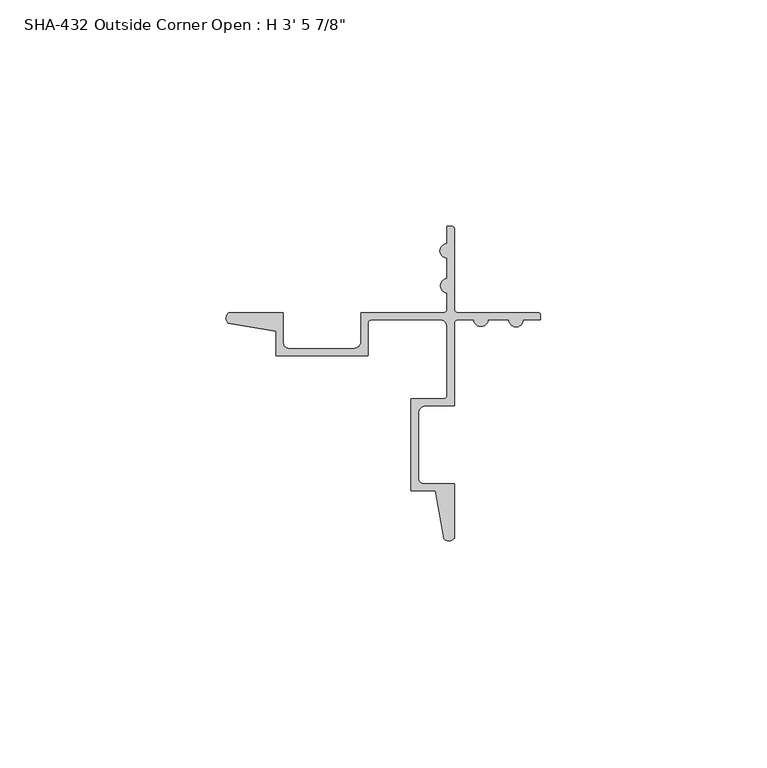
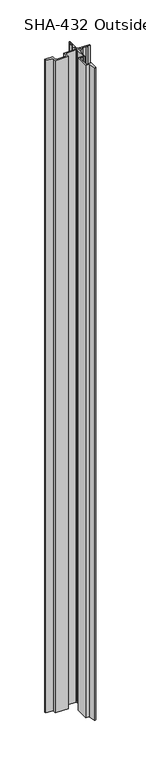
"""IFC4 building model written with IfcOpenShell, lengths in millimetres: proxy geometry."""

from ifc_helpers import new_model, si_unit, point, frame_2d, origin, origin_with_axes, place, context, project, spatial, polyline, circle_curve, trimmed, segment, composite_curve, outline, extrude, source, transform, mapped, element, save


def proxy_8e11a635(model_context):
    return source(origin(), model_context, "Body", "SweptSolid", [
        extrude(outline(composite_curve([segment(trimmed(circle_curve(frame_2d((-28.662637, 17.8573235)), 1.6162393), [point((-29.8194785, 16.7286308))], [point((-29.7533947, 19.05))], False, "CARTESIAN"), True, "CONTINUOUS"), segment(polyline([(-29.7533947, 19.05), (-17.6685916, 19.05), (-17.6685916, 12.3698)]), True, "CONTINUOUS"), segment(trimmed(circle_curve(frame_2d((-16.3985916, 12.3698)), 1.27), [point((-17.6685916, 12.3698))], [point((-16.3985916, 11.0998))], True, "CARTESIAN"), True, "CONTINUOUS"), segment(polyline([(-16.3985916, 11.0998), (-2.0896705, 11.0998)]), True, "CONTINUOUS"), segment(trimmed(circle_curve(frame_2d((-2.0896705, 12.6873)), 1.5875), [point((-2.0896705, 11.0998))], [point((-0.5021705, 12.6873))], True, "CARTESIAN"), True, "CONTINUOUS"), segment(polyline([(-0.5021705, 12.6873), (-0.5021705, 19.05), (17.7528095, 19.05)]), True, "CONTINUOUS"), segment(trimmed(circle_curve(frame_2d((17.7528095, 19.84502)), 0.79502), [point((17.7528095, 19.05))], [point((18.5478295, 19.84502))], True, "CARTESIAN"), True, "CONTINUOUS"), segment(polyline([(18.5478295, 19.84502), (18.5478295, 23.3934)]), True, "CONTINUOUS"), segment(trimmed(circle_curve(frame_2d((18.6388149, 24.9682)), 1.5774262), [point((18.5478295, 23.3934))], [point((18.5478295, 26.543))], False, "CARTESIAN"), True, "CONTINUOUS"), segment(polyline([(18.5478295, 26.543), (18.5478295, 31.1277)]), True, "CONTINUOUS"), segment(trimmed(circle_curve(frame_2d((18.5478295, 32.7025)), 1.5748), [point((18.5478295, 31.1277))], [point((18.5478295, 34.2773))], False, "CARTESIAN"), True, "CONTINUOUS"), segment(polyline([(18.5478295, 34.2773), (18.5478295, 38.1), (19.5927553, 38.1)]), True, "CONTINUOUS"), segment(trimmed(circle_curve(frame_2d((19.5927553, 37.5701258)), 0.5298742), [point((19.5927553, 38.1))], [point((20.1226295, 37.5701258))], False, "CARTESIAN"), True, "CONTINUOUS"), segment(polyline([(20.1226295, 37.5701258), (20.1226295, 19.84502)]), True, "CONTINUOUS"), segment(trimmed(circle_curve(frame_2d((20.9176495, 19.84502)), 0.79502), [point((20.1226295, 19.84502))], [point((20.9176495, 19.05))], True, "CARTESIAN"), True, "CONTINUOUS"), segment(polyline([(20.9176495, 19.05), (38.6555014, 19.05)]), True, "CONTINUOUS"), segment(trimmed(circle_curve(frame_2d((38.6555014, 18.532872)), 0.517128), [point((38.6555014, 19.05))], [point((39.1726295, 18.532872))], False, "CARTESIAN"), True, "CONTINUOUS"), segment(polyline([(39.1726295, 18.532872), (39.1726295, 17.4752), (35.3499295, 17.4752)]), True, "CONTINUOUS"), segment(trimmed(circle_curve(frame_2d((33.7751295, 17.4752)), 1.5748), [point((35.3499295, 17.4752))], [point((32.2003295, 17.4752))], False, "CARTESIAN"), True, "CONTINUOUS"), segment(polyline([(32.2003295, 17.4752), (27.6156295, 17.4752)]), True, "CONTINUOUS"), segment(trimmed(circle_curve(frame_2d((26.0408295, 17.5661854)), 1.5774262), [point((27.6156295, 17.4752))], [point((24.4660295, 17.4752))], False, "CARTESIAN"), True, "CONTINUOUS"), segment(polyline([(24.4660295, 17.4752), (20.9176495, 17.4752)]), True, "CONTINUOUS"), segment(trimmed(circle_curve(frame_2d((20.9176495, 16.68018)), 0.79502), [point((20.9176495, 17.4752))], [point((20.1226295, 16.68018))], True, "CARTESIAN"), True, "CONTINUOUS"), segment(polyline([(20.1226295, 16.68018), (20.1226295, -1.5748), (13.7599295, -1.5748)]), True, "CONTINUOUS"), segment(trimmed(circle_curve(frame_2d((13.7599295, -3.1623)), 1.5875), [point((13.7599295, -1.5748))], [point((12.1724295, -3.1623))], True, "CARTESIAN"), True, "CONTINUOUS"), segment(polyline([(12.1724295, -3.1623), (12.1724295, -17.4712211)]), True, "CONTINUOUS"), segment(trimmed(circle_curve(frame_2d((13.4424295, -17.4712211)), 1.27), [point((12.1724295, -17.4712211))], [point((13.4424295, -18.7412211))], True, "CARTESIAN"), True, "CONTINUOUS"), segment(polyline([(13.4424295, -18.7412211), (20.1226295, -18.7412211), (20.1226295, -30.8260242)]), True, "CONTINUOUS"), segment(trimmed(circle_curve(frame_2d((18.929953, -29.7352665)), 1.6162393), [point((20.1226295, -30.8260242))], [point((17.8012602, -30.892108))], False, "CARTESIAN"), True, "CONTINUOUS"), segment(polyline([(17.8012602, -30.892108), (15.9902864, -20.3160211), (10.5976295, -20.3160211), (10.5976295, 0.0), (17.7528095, 0.0)]), True, "CONTINUOUS"), segment(trimmed(circle_curve(frame_2d((17.7528095, 0.79502)), 0.79502), [point((17.7528095, 0.0))], [point((18.5478295, 0.79502))], True, "CARTESIAN"), True, "CONTINUOUS"), segment(polyline([(18.5478295, 0.79502), (18.5478295, 15.8877)]), True, "CONTINUOUS"), segment(trimmed(circle_curve(frame_2d((16.9603295, 15.8877)), 1.5875), [point((18.5478295, 15.8877))], [point((16.9603295, 17.4752))], True, "CARTESIAN"), True, "CONTINUOUS"), segment(polyline([(16.9603295, 17.4752), (1.8676495, 17.4752)]), True, "CONTINUOUS"), segment(trimmed(circle_curve(frame_2d((1.8676495, 16.68018)), 0.79502), [point((1.8676495, 17.4752))], [point((1.0726295, 16.68018))], True, "CARTESIAN"), True, "CONTINUOUS"), segment(polyline([(1.0726295, 16.68018), (1.0726295, 9.525), (-19.2433916, 9.525), (-19.2433916, 14.917657), (-29.8194785, 16.7286308)]), True, "CONTINUOUS")], self_intersect=False)), origin_with_axes(), (0.0, 0.0, 1.0), 1063.625),
    ])


if __name__ == "__main__":
    model = new_model("IFC4")
    model_context = context("Model", 3, world=origin())
    ifc_project = project(units=[si_unit("LENGTHUNIT", "METRE", prefix="MILLI")], contexts=[model_context])
    site = spatial("IfcSite", under=ifc_project)
    building = spatial("IfcBuilding", under=site)
    placement = place(None, origin())
    proxy_shape = proxy_8e11a635(model_context)
    element("IfcBuildingElementProxy", 1, Name="SHA-432 Outside Corner Open : H 3' 5 7/8\"", ObjectType="SHA-432 Outside Corner Open : H 3' 5 7/8\"", at=placement, inside=building, context=model_context, shape_type="MappedRepresentation", body=[
        mapped(proxy_shape, transform((0.0, 0.0, 0.0), x_axis=(1.0, 0.0, 0.0), y_axis=(0.0, 1.0, 0.0), z_axis=(0.0, 0.0, 1.0))),
    ])
    save(model, "model.ifc")
